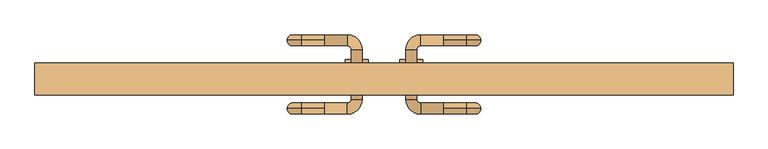
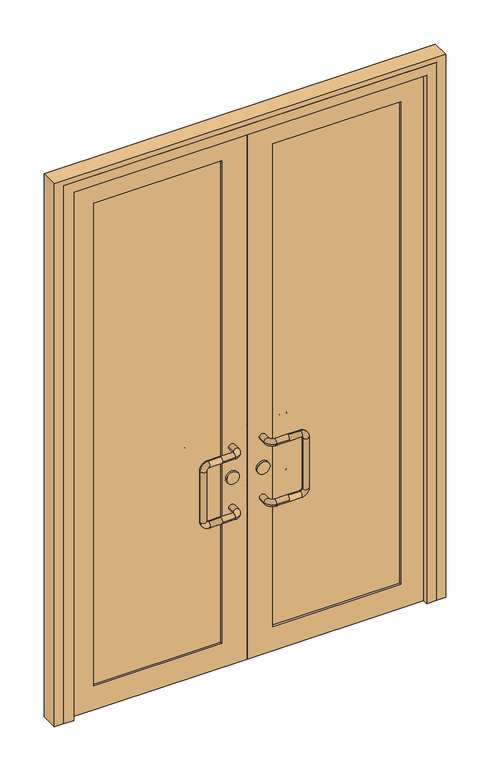
"""IFC4 building model written with IfcOpenShell, lengths in millimetres: door geometry."""

from ifc_helpers import new_model, si_unit, point, frame, frame_2d, origin, place, context, project, spatial, polyline, circle_curve, ellipse_curve, trimmed, segment, composite_curve, outline, extrude, faceted_brep, source, transform, mapped, element, save
from ifc_brep_helpers import cylinder_surface, revolved_surface, advanced_brep


def door_f04ebc7e(model_context):
    return source(origin(), model_context, "Body", "SolidModel", [
        advanced_brep(
        [(-130.0, 62.0, 900.0), (-130.0, 50.0, 912.0), (-130.0, 38.0, 900.0), (-80.0, 38.0, 900.0), (-80.0, 62.0, 900.0), (-130.0, 50.0, 888.0), (-72.0, 30.0, 900.0), (-48.0, 30.0, 900.0), (-72.0, -80.0, 900.0), (-48.0, -80.0, 900.0), (-80.0, -88.0, 900.0), (-80.0, -112.0, 900.0), (-130.0, -88.0, 900.0), (-130.0, -100.0, 912.0), (-130.0, -112.0, 900.0), (-130.0, -100.0, 888.0), (-180.0, 50.0, 912.0), (-180.0, 50.0, 888.0), (-212.0, 50.0, 880.0), (-188.0, 50.0, 880.0), (-212.0, 50.0, 670.0), (-188.0, 50.0, 670.0), (-180.0, 50.0, 638.0), (-180.0, 50.0, 662.0), (-130.0, 50.0, 638.0), (-130.0, 38.0, 650.0), (-130.0, 50.0, 662.0), (-130.0, 62.0, 650.0), (-80.0, 38.0, 650.0), (-80.0, 62.0, 650.0), (-72.0, 30.0, 650.0), (-48.0, 30.0, 650.0), (-72.0, -80.0, 650.0), (-48.0, -80.0, 650.0), (-80.0, -88.0, 650.0), (-80.0, -112.0, 650.0), (-130.0, -88.0, 650.0), (-130.0, -100.0, 662.0), (-130.0, -112.0, 650.0), (-130.0, -100.0, 638.0), (-180.0, -100.0, 912.0), (-180.0, -100.0, 888.0), (-212.0, -100.0, 880.0), (-188.0, -100.0, 880.0), (-212.0, -100.0, 670.0), (-188.0, -100.0, 670.0), (-180.0, -100.0, 638.0), (-180.0, -100.0, 662.0)],
        [
            (0, 1, circle_curve(frame((-130.0, 50.0, 900.0), z_axis=(1.0, 0.0, 0.0), x_axis=(0.0, -1.0, 0.0)), 12.0)),
            (1, 2, circle_curve(frame((-130.0, 50.0, 900.0), z_axis=(1.0, 0.0, 0.0), x_axis=(0.0, -1.0, 0.0)), 12.0)),
            (2, 3),
            (3, 4, circle_curve(frame((-80.0, 50.0, 900.0), z_axis=(-1.0, 0.0, 0.0), x_axis=(0.0, -1.0, 0.0)), 12.0)),
            (4, 0),
            (4, 3, circle_curve(frame((-80.0, 50.0, 900.0), z_axis=(-1.0, 0.0, 0.0), x_axis=(0.0, -1.0, 0.0)), 12.0)),
            (2, 5, circle_curve(frame((-130.0, 50.0, 900.0), z_axis=(1.0, 0.0, 0.0), x_axis=(0.0, -1.0, 0.0)), 12.0)),
            (5, 0, circle_curve(frame((-130.0, 50.0, 900.0), z_axis=(1.0, 0.0, 0.0), x_axis=(0.0, -1.0, 0.0)), 12.0)),
            (3, 6, circle_curve(frame((-80.0, 30.0, 900.0), z_axis=(0.0, 0.0, -1.0), x_axis=(0.0, 1.0, 0.0)), 8.0)),
            (6, 7, circle_curve(frame((-60.0, 30.0, 900.0), z_axis=(0.0, 1.0, 0.0), x_axis=(-1.0, 0.0, 0.0)), 12.0)),
            (7, 4, circle_curve(frame((-80.0, 30.0, 900.0), z_axis=(0.0, 0.0, 1.0), x_axis=(0.0, 1.0, 0.0)), 32.0)),
            (7, 6, circle_curve(frame((-60.0, 30.0, 900.0), z_axis=(0.0, 1.0, 0.0), x_axis=(-1.0, 0.0, 0.0)), 12.0)),
            (6, 8),
            (8, 9, circle_curve(frame((-60.0, -80.0, 900.0), z_axis=(0.0, 1.0, 0.0), x_axis=(-1.0, 0.0, 0.0)), 12.0)),
            (9, 7),
            (9, 8, circle_curve(frame((-60.0, -80.0, 900.0), z_axis=(0.0, 1.0, 0.0), x_axis=(-1.0, 0.0, 0.0)), 12.0)),
            (8, 10, circle_curve(frame((-80.0, -80.0, 900.0), z_axis=(0.0, 0.0, -1.0), x_axis=(1.0, 0.0, 0.0)), 8.0)),
            (10, 11, circle_curve(frame((-80.0, -100.0, 900.0), z_axis=(1.0, 0.0, 0.0), x_axis=(0.0, 1.0, 0.0)), 12.0)),
            (11, 9, circle_curve(frame((-80.0, -80.0, 900.0), z_axis=(0.0, 0.0, 1.0), x_axis=(1.0, 0.0, 0.0)), 32.0)),
            (11, 10, circle_curve(frame((-80.0, -100.0, 900.0), z_axis=(1.0, 0.0, 0.0), x_axis=(0.0, 1.0, 0.0)), 12.0)),
            (10, 12),
            (12, 13, circle_curve(frame((-130.0, -100.0, 900.0), z_axis=(1.0, 0.0, 0.0), x_axis=(0.0, 1.0, 0.0)), 12.0)),
            (13, 14, circle_curve(frame((-130.0, -100.0, 900.0), z_axis=(1.0, 0.0, 0.0), x_axis=(0.0, 1.0, 0.0)), 12.0)),
            (14, 11),
            (14, 15, circle_curve(frame((-130.0, -100.0, 900.0), z_axis=(1.0, 0.0, 0.0), x_axis=(0.0, 1.0, 0.0)), 12.0)),
            (15, 12, circle_curve(frame((-130.0, -100.0, 900.0), z_axis=(1.0, 0.0, 0.0), x_axis=(0.0, 1.0, 0.0)), 12.0)),
            (1, 16),
            (16, 17, circle_curve(frame((-180.0, 50.0, 900.0), z_axis=(1.0, 0.0, 0.0), x_axis=(0.0, 0.0, 1.0)), 12.0)),
            (17, 5),
            (17, 16, circle_curve(frame((-180.0, 50.0, 900.0), z_axis=(1.0, 0.0, 0.0), x_axis=(0.0, 0.0, 1.0)), 12.0)),
            (16, 18, circle_curve(frame((-180.0, 50.0, 880.0), z_axis=(0.0, -1.0, 0.0), x_axis=(0.0, 0.0, 1.0)), 32.0)),
            (18, 19, circle_curve(frame((-200.0, 50.0, 880.0), z_axis=(0.0, 0.0, 1.0), x_axis=(-1.0, 0.0, 0.0)), 12.0)),
            (19, 17, circle_curve(frame((-180.0, 50.0, 880.0), z_axis=(0.0, 1.0, 0.0), x_axis=(0.0, 0.0, 1.0)), 8.0)),
            (19, 18, circle_curve(frame((-200.0, 50.0, 880.0), z_axis=(0.0, 0.0, 1.0), x_axis=(-1.0, 0.0, 0.0)), 12.0)),
            (18, 20),
            (20, 21, circle_curve(frame((-200.0, 50.0, 670.0), z_axis=(0.0, 0.0, 1.0), x_axis=(-1.0, 0.0, 0.0)), 12.0)),
            (21, 19),
            (21, 20, circle_curve(frame((-200.0, 50.0, 670.0), z_axis=(0.0, 0.0, 1.0), x_axis=(-1.0, 0.0, 0.0)), 12.0)),
            (20, 22, circle_curve(frame((-180.0, 50.0, 670.0), z_axis=(0.0, -1.0, 0.0), x_axis=(-1.0, 0.0, 0.0)), 32.0)),
            (22, 23, circle_curve(frame((-180.0, 50.0, 650.0), z_axis=(-1.0, 0.0, 0.0), x_axis=(0.0, 0.0, -1.0)), 12.0)),
            (23, 21, circle_curve(frame((-180.0, 50.0, 670.0), z_axis=(0.0, 1.0, 0.0), x_axis=(-1.0, 0.0, 0.0)), 8.0)),
            (23, 22, circle_curve(frame((-180.0, 50.0, 650.0), z_axis=(-1.0, 0.0, 0.0), x_axis=(0.0, 0.0, -1.0)), 12.0)),
            (22, 24),
            (24, 25, circle_curve(frame((-130.0, 50.0, 650.0), z_axis=(-1.0, 0.0, 0.0), x_axis=(0.0, 0.0, -1.0)), 12.0)),
            (25, 26, circle_curve(frame((-130.0, 50.0, 650.0), z_axis=(-1.0, 0.0, 0.0), x_axis=(0.0, 0.0, -1.0)), 12.0)),
            (26, 23),
            (26, 27, circle_curve(frame((-130.0, 50.0, 650.0), z_axis=(-1.0, 0.0, 0.0), x_axis=(0.0, 0.0, -1.0)), 12.0)),
            (27, 24, circle_curve(frame((-130.0, 50.0, 650.0), z_axis=(-1.0, 0.0, 0.0), x_axis=(0.0, 0.0, -1.0)), 12.0)),
            (25, 28),
            (28, 29, circle_curve(frame((-80.0, 50.0, 650.0), z_axis=(-1.0, 0.0, 0.0), x_axis=(0.0, -1.0, 0.0)), 12.0)),
            (29, 27),
            (29, 28, circle_curve(frame((-80.0, 50.0, 650.0), z_axis=(-1.0, 0.0, 0.0), x_axis=(0.0, -1.0, 0.0)), 12.0)),
            (28, 30, circle_curve(frame((-80.0, 30.0, 650.0), z_axis=(0.0, 0.0, -1.0), x_axis=(0.0, 1.0, 0.0)), 8.0)),
            (30, 31, circle_curve(frame((-60.0, 30.0, 650.0), z_axis=(0.0, 1.0, 0.0), x_axis=(-1.0, 0.0, 0.0)), 12.0)),
            (31, 29, circle_curve(frame((-80.0, 30.0, 650.0), z_axis=(0.0, 0.0, 1.0), x_axis=(0.0, 1.0, 0.0)), 32.0)),
            (31, 30, circle_curve(frame((-60.0, 30.0, 650.0), z_axis=(0.0, 1.0, 0.0), x_axis=(-1.0, 0.0, 0.0)), 12.0)),
            (30, 32),
            (32, 33, circle_curve(frame((-60.0, -80.0, 650.0), z_axis=(0.0, 1.0, 0.0), x_axis=(-1.0, 0.0, 0.0)), 12.0)),
            (33, 31),
            (33, 32, circle_curve(frame((-60.0, -80.0, 650.0), z_axis=(0.0, 1.0, 0.0), x_axis=(-1.0, 0.0, 0.0)), 12.0)),
            (32, 34, circle_curve(frame((-80.0, -80.0, 650.0), z_axis=(0.0, 0.0, -1.0), x_axis=(1.0, 0.0, 0.0)), 8.0)),
            (34, 35, circle_curve(frame((-80.0, -100.0, 650.0), z_axis=(1.0, 0.0, 0.0), x_axis=(0.0, 1.0, 0.0)), 12.0)),
            (35, 33, circle_curve(frame((-80.0, -80.0, 650.0), z_axis=(0.0, 0.0, 1.0), x_axis=(1.0, 0.0, 0.0)), 32.0)),
            (35, 34, circle_curve(frame((-80.0, -100.0, 650.0), z_axis=(1.0, 0.0, 0.0), x_axis=(0.0, 1.0, 0.0)), 12.0)),
            (34, 36),
            (36, 37, circle_curve(frame((-130.0, -100.0, 650.0), z_axis=(1.0, 0.0, 0.0), x_axis=(0.0, 1.0, 0.0)), 12.0)),
            (37, 38, circle_curve(frame((-130.0, -100.0, 650.0), z_axis=(1.0, 0.0, 0.0), x_axis=(0.0, 1.0, 0.0)), 12.0)),
            (38, 35),
            (38, 39, circle_curve(frame((-130.0, -100.0, 650.0), z_axis=(1.0, 0.0, 0.0), x_axis=(0.0, 1.0, 0.0)), 12.0)),
            (39, 36, circle_curve(frame((-130.0, -100.0, 650.0), z_axis=(1.0, 0.0, 0.0), x_axis=(0.0, 1.0, 0.0)), 12.0)),
            (13, 40),
            (40, 41, circle_curve(frame((-180.0, -100.0, 900.0), z_axis=(1.0, 0.0, 0.0), x_axis=(0.0, 0.0, 1.0)), 12.0)),
            (41, 15),
            (41, 40, circle_curve(frame((-180.0, -100.0, 900.0), z_axis=(1.0, 0.0, 0.0), x_axis=(0.0, 0.0, 1.0)), 12.0)),
            (40, 42, circle_curve(frame((-180.0, -100.0, 880.0), z_axis=(0.0, -1.0, 0.0), x_axis=(0.0, 0.0, 1.0)), 32.0)),
            (42, 43, circle_curve(frame((-200.0, -100.0, 880.0), z_axis=(0.0, 0.0, 1.0), x_axis=(-1.0, 0.0, 0.0)), 12.0)),
            (43, 41, circle_curve(frame((-180.0, -100.0, 880.0), z_axis=(0.0, 1.0, 0.0), x_axis=(0.0, 0.0, 1.0)), 8.0)),
            (43, 42, circle_curve(frame((-200.0, -100.0, 880.0), z_axis=(0.0, 0.0, 1.0), x_axis=(-1.0, 0.0, 0.0)), 12.0)),
            (42, 44),
            (44, 45, circle_curve(frame((-200.0, -100.0, 670.0), z_axis=(0.0, 0.0, 1.0), x_axis=(-1.0, 0.0, 0.0)), 12.0)),
            (45, 43),
            (45, 44, circle_curve(frame((-200.0, -100.0, 670.0), z_axis=(0.0, 0.0, 1.0), x_axis=(-1.0, 0.0, 0.0)), 12.0)),
            (44, 46, circle_curve(frame((-180.0, -100.0, 670.0), z_axis=(0.0, -1.0, 0.0), x_axis=(-1.0, 0.0, 0.0)), 32.0)),
            (46, 47, circle_curve(frame((-180.0, -100.0, 650.0), z_axis=(-1.0, 0.0, 0.0), x_axis=(0.0, 0.0, -1.0)), 12.0)),
            (47, 45, circle_curve(frame((-180.0, -100.0, 670.0), z_axis=(0.0, 1.0, 0.0), x_axis=(-1.0, 0.0, 0.0)), 8.0)),
            (47, 46, circle_curve(frame((-180.0, -100.0, 650.0), z_axis=(-1.0, 0.0, 0.0), x_axis=(0.0, 0.0, -1.0)), 12.0)),
            (46, 39),
            (37, 47),
        ],
        [
            cylinder_surface(frame((-130.0, 50.0, 900.0), z_axis=(-1.0, 0.0, 0.0), x_axis=(0.0, -1.0, 0.0)), 12.0),
            revolved_surface(trimmed(ellipse_curve(frame((-80.0, 50.0, 900.0), z_axis=(1.0, 0.0, 0.0), x_axis=(0.0, -1.0, 0.0)), 12.0, 12.0), [point((-80.0, 62.0, 900.0))], [point((-80.0, 38.0, 900.0))], True, "CARTESIAN"), (-80.0, 30.0, 900.0), (0.0, 0.0, 1.0)),
            revolved_surface(trimmed(ellipse_curve(frame((-80.0, 50.0, 900.0), z_axis=(1.0, 0.0, 0.0), x_axis=(0.0, -1.0, 0.0)), 12.0, 12.0), [point((-80.0, 38.0, 900.0))], [point((-80.0, 62.0, 900.0))], True, "CARTESIAN"), (-80.0, 30.0, 900.0), (0.0, 0.0, 1.0)),
            cylinder_surface(frame((-60.0, 30.0, 900.0), z_axis=(0.0, 1.0, 0.0), x_axis=(-1.0, 0.0, 0.0)), 12.0),
            revolved_surface(trimmed(ellipse_curve(frame((-60.0, -80.0, 900.0), z_axis=(0.0, -1.0, 0.0), x_axis=(-1.0, 0.0, 0.0)), 12.0, 12.0), [point((-48.0, -80.0, 900.0))], [point((-72.0, -80.0, 900.0))], True, "CARTESIAN"), (-80.0, -80.0, 900.0), (0.0, 0.0, 1.0)),
            revolved_surface(trimmed(ellipse_curve(frame((-60.0, -80.0, 900.0), z_axis=(0.0, -1.0, 0.0), x_axis=(-1.0, 0.0, 0.0)), 12.0, 12.0), [point((-72.0, -80.0, 900.0))], [point((-48.0, -80.0, 900.0))], True, "CARTESIAN"), (-80.0, -80.0, 900.0), (0.0, 0.0, 1.0)),
            cylinder_surface(frame((-80.0, -100.0, 900.0), z_axis=(1.0, 0.0, 0.0), x_axis=(0.0, 1.0, 0.0)), 12.0),
            cylinder_surface(frame((-130.0, 50.0, 900.0), z_axis=(1.0, 0.0, 0.0), x_axis=(0.0, 0.0, 1.0)), 12.0),
            revolved_surface(trimmed(ellipse_curve(frame((-180.0, 50.0, 900.0), z_axis=(-1.0, 0.0, 0.0), x_axis=(0.0, 0.0, 1.0)), 12.0, 12.0), [point((-180.0, 50.0, 888.0))], [point((-180.0, 50.0, 912.0))], True, "CARTESIAN"), (-180.0, 50.0, 880.0), (0.0, 1.0, 0.0)),
            revolved_surface(trimmed(ellipse_curve(frame((-180.0, 50.0, 900.0), z_axis=(-1.0, 0.0, 0.0), x_axis=(0.0, 0.0, 1.0)), 12.0, 12.0), [point((-180.0, 50.0, 912.0))], [point((-180.0, 50.0, 888.0))], True, "CARTESIAN"), (-180.0, 50.0, 880.0), (0.0, 1.0, 0.0)),
            cylinder_surface(frame((-200.0, 50.0, 880.0), z_axis=(0.0, 0.0, 1.0), x_axis=(-1.0, 0.0, 0.0)), 12.0),
            revolved_surface(trimmed(ellipse_curve(frame((-200.0, 50.0, 670.0), z_axis=(0.0, 0.0, -1.0), x_axis=(-1.0, 0.0, 0.0)), 12.0, 12.0), [point((-188.0, 50.0, 670.0))], [point((-212.0, 50.0, 670.0))], True, "CARTESIAN"), (-180.0, 50.0, 670.0), (0.0, 1.0, 0.0)),
            revolved_surface(trimmed(ellipse_curve(frame((-200.0, 50.0, 670.0), z_axis=(0.0, 0.0, -1.0), x_axis=(-1.0, 0.0, 0.0)), 12.0, 12.0), [point((-212.0, 50.0, 670.0))], [point((-188.0, 50.0, 670.0))], True, "CARTESIAN"), (-180.0, 50.0, 670.0), (0.0, 1.0, 0.0)),
            cylinder_surface(frame((-180.0, 50.0, 650.0), z_axis=(-1.0, 0.0, 0.0), x_axis=(0.0, 0.0, -1.0)), 12.0),
            cylinder_surface(frame((-130.0, 50.0, 650.0), z_axis=(-1.0, 0.0, 0.0), x_axis=(0.0, -1.0, 0.0)), 12.0),
            revolved_surface(trimmed(ellipse_curve(frame((-80.0, 50.0, 650.0), z_axis=(1.0, 0.0, 0.0), x_axis=(0.0, -1.0, 0.0)), 12.0, 12.0), [point((-80.0, 62.0, 650.0))], [point((-80.0, 38.0, 650.0))], True, "CARTESIAN"), (-80.0, 30.0, 650.0), (0.0, 0.0, 1.0)),
            revolved_surface(trimmed(ellipse_curve(frame((-80.0, 50.0, 650.0), z_axis=(1.0, 0.0, 0.0), x_axis=(0.0, -1.0, 0.0)), 12.0, 12.0), [point((-80.0, 38.0, 650.0))], [point((-80.0, 62.0, 650.0))], True, "CARTESIAN"), (-80.0, 30.0, 650.0), (0.0, 0.0, 1.0)),
            cylinder_surface(frame((-60.0, 30.0, 650.0), z_axis=(0.0, 1.0, 0.0), x_axis=(-1.0, 0.0, 0.0)), 12.0),
            revolved_surface(trimmed(ellipse_curve(frame((-60.0, -80.0, 650.0), z_axis=(0.0, -1.0, 0.0), x_axis=(-1.0, 0.0, 0.0)), 12.0, 12.0), [point((-48.0, -80.0, 650.0))], [point((-72.0, -80.0, 650.0))], True, "CARTESIAN"), (-80.0, -80.0, 650.0), (0.0, 0.0, 1.0)),
            revolved_surface(trimmed(ellipse_curve(frame((-60.0, -80.0, 650.0), z_axis=(0.0, -1.0, 0.0), x_axis=(-1.0, 0.0, 0.0)), 12.0, 12.0), [point((-72.0, -80.0, 650.0))], [point((-48.0, -80.0, 650.0))], True, "CARTESIAN"), (-80.0, -80.0, 650.0), (0.0, 0.0, 1.0)),
            cylinder_surface(frame((-80.0, -100.0, 650.0), z_axis=(1.0, 0.0, 0.0), x_axis=(0.0, 1.0, 0.0)), 12.0),
            cylinder_surface(frame((-130.0, -100.0, 900.0), z_axis=(1.0, 0.0, 0.0), x_axis=(0.0, 0.0, 1.0)), 12.0),
            revolved_surface(trimmed(ellipse_curve(frame((-180.0, -100.0, 900.0), z_axis=(-1.0, 0.0, 0.0), x_axis=(0.0, 0.0, 1.0)), 12.0, 12.0), [point((-180.0, -100.0, 888.0))], [point((-180.0, -100.0, 912.0))], True, "CARTESIAN"), (-180.0, -100.0, 880.0), (0.0, 1.0, 0.0)),
            revolved_surface(trimmed(ellipse_curve(frame((-180.0, -100.0, 900.0), z_axis=(-1.0, 0.0, 0.0), x_axis=(0.0, 0.0, 1.0)), 12.0, 12.0), [point((-180.0, -100.0, 912.0))], [point((-180.0, -100.0, 888.0))], True, "CARTESIAN"), (-180.0, -100.0, 880.0), (0.0, 1.0, 0.0)),
            cylinder_surface(frame((-200.0, -100.0, 880.0), z_axis=(0.0, 0.0, 1.0), x_axis=(-1.0, 0.0, 0.0)), 12.0),
            revolved_surface(trimmed(ellipse_curve(frame((-200.0, -100.0, 670.0), z_axis=(0.0, 0.0, -1.0), x_axis=(-1.0, 0.0, 0.0)), 12.0, 12.0), [point((-188.0, -100.0, 670.0))], [point((-212.0, -100.0, 670.0))], True, "CARTESIAN"), (-180.0, -100.0, 670.0), (0.0, 1.0, 0.0)),
            revolved_surface(trimmed(ellipse_curve(frame((-200.0, -100.0, 670.0), z_axis=(0.0, 0.0, -1.0), x_axis=(-1.0, 0.0, 0.0)), 12.0, 12.0), [point((-212.0, -100.0, 670.0))], [point((-188.0, -100.0, 670.0))], True, "CARTESIAN"), (-180.0, -100.0, 670.0), (0.0, 1.0, 0.0)),
            cylinder_surface(frame((-180.0, -100.0, 650.0), z_axis=(-1.0, 0.0, 0.0), x_axis=(0.0, 0.0, -1.0)), 12.0),
        ],
        [
            (0, [[1, 2, 3, 4, 5]]),
            (0, [[6, -3, 7, 8, -5]]),
            (1, [[9, 10, 11, -4]]),
            (2, [[-11, 12, -9, -6]]),
            (3, [[13, 14, 15, -10]]),
            (3, [[-15, 16, -13, -12]]),
            (4, [[17, 18, 19, -14]]),
            (5, [[-19, 20, -17, -16]]),
            (6, [[21, 22, 23, 24, -18]]),
            (6, [[-24, 25, 26, -21, -20]]),
            (7, [[-7, -2, 27, 28, 29]]),
            (7, [[30, -27, -1, -8, -29]]),
            (8, [[31, 32, 33, -28]]),
            (9, [[-33, 34, -31, -30]]),
            (10, [[35, 36, 37, -32]]),
            (10, [[-37, 38, -35, -34]]),
            (11, [[39, 40, 41, -36]]),
            (12, [[-41, 42, -39, -38]]),
            (13, [[43, 44, 45, 46, -40]]),
            (13, [[-46, 47, 48, -43, -42]]),
            (14, [[-47, -45, 49, 50, 51]]),
            (14, [[52, -49, -44, -48, -51]]),
            (15, [[53, 54, 55, -50]]),
            (16, [[-55, 56, -53, -52]]),
            (17, [[57, 58, 59, -54]]),
            (17, [[-59, 60, -57, -56]]),
            (18, [[61, 62, 63, -58]]),
            (19, [[-63, 64, -61, -60]]),
            (20, [[65, 66, 67, 68, -62]]),
            (20, [[-68, 69, 70, -65, -64]]),
            (21, [[-25, -23, 71, 72, 73]]),
            (21, [[74, -71, -22, -26, -73]]),
            (22, [[75, 76, 77, -72]]),
            (23, [[-77, 78, -75, -74]]),
            (24, [[79, 80, 81, -76]]),
            (24, [[-81, 82, -79, -78]]),
            (25, [[83, 84, 85, -80]]),
            (26, [[-85, 86, -83, -82]]),
            (27, [[87, -69, -67, 88, -84]]),
            (27, [[-88, -66, -70, -87, -86]]),
        ],
    ),
        extrude(outline(composite_curve([segment(trimmed(circle_curve(frame_2d((775.0, -60.0)), 25.0), [point((775.0, -35.0))], [point((775.0, -85.0))], False, "CARTESIAN"), True, "CONTINUOUS"), segment(trimmed(circle_curve(frame_2d((775.0, -60.0)), 25.0), [point((775.0, -85.0))], [point((775.0, -35.0))], False, "CARTESIAN"), True, "CONTINUOUS")], self_intersect=False)), frame((0.0, -58.0, 0.0), z_axis=(0.0, 1.0, 0.0), x_axis=(0.0, 0.0, 1.0)), (0.0, 0.0, 1.0), 66.0),
        advanced_brep(
        [(130.0, 62.0, 900.0), (80.0, 62.0, 900.0), (80.0, 38.0, 900.0), (130.0, 38.0, 900.0), (130.0, 50.0, 912.0), (130.0, 50.0, 888.0), (48.0, 30.0, 900.0), (72.0, 30.0, 900.0), (48.0, -80.0, 900.0), (72.0, -80.0, 900.0), (80.0, -112.0, 900.0), (80.0, -88.0, 900.0), (130.0, -112.0, 900.0), (130.0, -100.0, 912.0), (130.0, -88.0, 900.0), (130.0, -100.0, 888.0), (180.0, 50.0, 888.0), (180.0, 50.0, 912.0), (188.0, 50.0, 880.0), (212.0, 50.0, 880.0), (188.0, 50.0, 670.0), (212.0, 50.0, 670.0), (180.0, 50.0, 662.0), (180.0, 50.0, 638.0), (130.0, 50.0, 662.0), (130.0, 38.0, 650.0), (130.0, 50.0, 638.0), (130.0, 62.0, 650.0), (80.0, 62.0, 650.0), (80.0, 38.0, 650.0), (48.0, 30.0, 650.0), (72.0, 30.0, 650.0), (48.0, -80.0, 650.0), (72.0, -80.0, 650.0), (80.0, -112.0, 650.0), (80.0, -88.0, 650.0), (130.0, -112.0, 650.0), (130.0, -100.0, 662.0), (130.0, -88.0, 650.0), (130.0, -100.0, 638.0), (180.0, -100.0, 888.0), (180.0, -100.0, 912.0), (188.0, -100.0, 880.0), (212.0, -100.0, 880.0), (188.0, -100.0, 670.0), (212.0, -100.0, 670.0), (180.0, -100.0, 662.0), (180.0, -100.0, 638.0)],
        [
            (0, 1),
            (1, 2, circle_curve(frame((80.0, 50.0, 900.0), z_axis=(1.0, 0.0, 0.0), x_axis=(0.0, -1.0, 0.0)), 12.0)),
            (2, 3),
            (3, 4, circle_curve(frame((130.0, 50.0, 900.0), z_axis=(-1.0, 0.0, 0.0), x_axis=(0.0, -1.0, 0.0)), 12.0)),
            (4, 0, circle_curve(frame((130.0, 50.0, 900.0), z_axis=(-1.0, 0.0, 0.0), x_axis=(0.0, -1.0, 0.0)), 12.0)),
            (0, 5, circle_curve(frame((130.0, 50.0, 900.0), z_axis=(-1.0, 0.0, 0.0), x_axis=(0.0, -1.0, 0.0)), 12.0)),
            (5, 3, circle_curve(frame((130.0, 50.0, 900.0), z_axis=(-1.0, 0.0, 0.0), x_axis=(0.0, -1.0, 0.0)), 12.0)),
            (2, 1, circle_curve(frame((80.0, 50.0, 900.0), z_axis=(1.0, 0.0, 0.0), x_axis=(0.0, -1.0, 0.0)), 12.0)),
            (1, 6, circle_curve(frame((80.0, 30.0, 900.0), z_axis=(0.0, 0.0, 1.0), x_axis=(0.0, 1.0, 0.0)), 32.0)),
            (6, 7, circle_curve(frame((60.0, 30.0, 900.0), z_axis=(0.0, 1.0, 0.0), x_axis=(1.0, 0.0, 0.0)), 12.0)),
            (7, 2, circle_curve(frame((80.0, 30.0, 900.0), z_axis=(0.0, 0.0, -1.0), x_axis=(0.0, 1.0, 0.0)), 8.0)),
            (7, 6, circle_curve(frame((60.0, 30.0, 900.0), z_axis=(0.0, 1.0, 0.0), x_axis=(1.0, 0.0, 0.0)), 12.0)),
            (6, 8),
            (8, 9, circle_curve(frame((60.0, -80.0, 900.0), z_axis=(0.0, 1.0, 0.0), x_axis=(1.0, 0.0, 0.0)), 12.0)),
            (9, 7),
            (9, 8, circle_curve(frame((60.0, -80.0, 900.0), z_axis=(0.0, 1.0, 0.0), x_axis=(1.0, 0.0, 0.0)), 12.0)),
            (8, 10, circle_curve(frame((80.0, -80.0, 900.0), z_axis=(0.0, 0.0, 1.0), x_axis=(-1.0, 0.0, 0.0)), 32.0)),
            (10, 11, circle_curve(frame((80.0, -100.0, 900.0), z_axis=(-1.0, 0.0, 0.0), x_axis=(0.0, 1.0, 0.0)), 12.0)),
            (11, 9, circle_curve(frame((80.0, -80.0, 900.0), z_axis=(0.0, 0.0, -1.0), x_axis=(-1.0, 0.0, 0.0)), 8.0)),
            (11, 10, circle_curve(frame((80.0, -100.0, 900.0), z_axis=(-1.0, 0.0, 0.0), x_axis=(0.0, 1.0, 0.0)), 12.0)),
            (10, 12),
            (12, 13, circle_curve(frame((130.0, -100.0, 900.0), z_axis=(-1.0, 0.0, 0.0), x_axis=(0.0, 1.0, 0.0)), 12.0)),
            (13, 14, circle_curve(frame((130.0, -100.0, 900.0), z_axis=(-1.0, 0.0, 0.0), x_axis=(0.0, 1.0, 0.0)), 12.0)),
            (14, 11),
            (14, 15, circle_curve(frame((130.0, -100.0, 900.0), z_axis=(-1.0, 0.0, 0.0), x_axis=(0.0, 1.0, 0.0)), 12.0)),
            (15, 12, circle_curve(frame((130.0, -100.0, 900.0), z_axis=(-1.0, 0.0, 0.0), x_axis=(0.0, 1.0, 0.0)), 12.0)),
            (5, 16),
            (16, 17, circle_curve(frame((180.0, 50.0, 900.0), z_axis=(-1.0, 0.0, 0.0), x_axis=(0.0, 0.0, 1.0)), 12.0)),
            (17, 4),
            (17, 16, circle_curve(frame((180.0, 50.0, 900.0), z_axis=(-1.0, 0.0, 0.0), x_axis=(0.0, 0.0, 1.0)), 12.0)),
            (16, 18, circle_curve(frame((180.0, 50.0, 880.0), z_axis=(0.0, 1.0, 0.0), x_axis=(0.0, 0.0, 1.0)), 8.0)),
            (18, 19, circle_curve(frame((200.0, 50.0, 880.0), z_axis=(0.0, 0.0, 1.0), x_axis=(1.0, 0.0, 0.0)), 12.0)),
            (19, 17, circle_curve(frame((180.0, 50.0, 880.0), z_axis=(0.0, -1.0, 0.0), x_axis=(0.0, 0.0, 1.0)), 32.0)),
            (19, 18, circle_curve(frame((200.0, 50.0, 880.0), z_axis=(0.0, 0.0, 1.0), x_axis=(1.0, 0.0, 0.0)), 12.0)),
            (18, 20),
            (20, 21, circle_curve(frame((200.0, 50.0, 670.0), z_axis=(0.0, 0.0, 1.0), x_axis=(1.0, 0.0, 0.0)), 12.0)),
            (21, 19),
            (21, 20, circle_curve(frame((200.0, 50.0, 670.0), z_axis=(0.0, 0.0, 1.0), x_axis=(1.0, 0.0, 0.0)), 12.0)),
            (20, 22, circle_curve(frame((180.0, 50.0, 670.0), z_axis=(0.0, 1.0, 0.0), x_axis=(1.0, 0.0, 0.0)), 8.0)),
            (22, 23, circle_curve(frame((180.0, 50.0, 650.0), z_axis=(1.0, 0.0, 0.0), x_axis=(0.0, 0.0, -1.0)), 12.0)),
            (23, 21, circle_curve(frame((180.0, 50.0, 670.0), z_axis=(0.0, -1.0, 0.0), x_axis=(1.0, 0.0, 0.0)), 32.0)),
            (23, 22, circle_curve(frame((180.0, 50.0, 650.0), z_axis=(1.0, 0.0, 0.0), x_axis=(0.0, 0.0, -1.0)), 12.0)),
            (22, 24),
            (24, 25, circle_curve(frame((130.0, 50.0, 650.0), z_axis=(1.0, 0.0, 0.0), x_axis=(0.0, 0.0, -1.0)), 12.0)),
            (25, 26, circle_curve(frame((130.0, 50.0, 650.0), z_axis=(1.0, 0.0, 0.0), x_axis=(0.0, 0.0, -1.0)), 12.0)),
            (26, 23),
            (26, 27, circle_curve(frame((130.0, 50.0, 650.0), z_axis=(1.0, 0.0, 0.0), x_axis=(0.0, 0.0, -1.0)), 12.0)),
            (27, 24, circle_curve(frame((130.0, 50.0, 650.0), z_axis=(1.0, 0.0, 0.0), x_axis=(0.0, 0.0, -1.0)), 12.0)),
            (27, 28),
            (28, 29, circle_curve(frame((80.0, 50.0, 650.0), z_axis=(1.0, 0.0, 0.0), x_axis=(0.0, -1.0, 0.0)), 12.0)),
            (29, 25),
            (29, 28, circle_curve(frame((80.0, 50.0, 650.0), z_axis=(1.0, 0.0, 0.0), x_axis=(0.0, -1.0, 0.0)), 12.0)),
            (28, 30, circle_curve(frame((80.0, 30.0, 650.0), z_axis=(0.0, 0.0, 1.0), x_axis=(0.0, 1.0, 0.0)), 32.0)),
            (30, 31, circle_curve(frame((60.0, 30.0, 650.0), z_axis=(0.0, 1.0, 0.0), x_axis=(1.0, 0.0, 0.0)), 12.0)),
            (31, 29, circle_curve(frame((80.0, 30.0, 650.0), z_axis=(0.0, 0.0, -1.0), x_axis=(0.0, 1.0, 0.0)), 8.0)),
            (31, 30, circle_curve(frame((60.0, 30.0, 650.0), z_axis=(0.0, 1.0, 0.0), x_axis=(1.0, 0.0, 0.0)), 12.0)),
            (30, 32),
            (32, 33, circle_curve(frame((60.0, -80.0, 650.0), z_axis=(0.0, 1.0, 0.0), x_axis=(1.0, 0.0, 0.0)), 12.0)),
            (33, 31),
            (33, 32, circle_curve(frame((60.0, -80.0, 650.0), z_axis=(0.0, 1.0, 0.0), x_axis=(1.0, 0.0, 0.0)), 12.0)),
            (32, 34, circle_curve(frame((80.0, -80.0, 650.0), z_axis=(0.0, 0.0, 1.0), x_axis=(-1.0, 0.0, 0.0)), 32.0)),
            (34, 35, circle_curve(frame((80.0, -100.0, 650.0), z_axis=(-1.0, 0.0, 0.0), x_axis=(0.0, 1.0, 0.0)), 12.0)),
            (35, 33, circle_curve(frame((80.0, -80.0, 650.0), z_axis=(0.0, 0.0, -1.0), x_axis=(-1.0, 0.0, 0.0)), 8.0)),
            (35, 34, circle_curve(frame((80.0, -100.0, 650.0), z_axis=(-1.0, 0.0, 0.0), x_axis=(0.0, 1.0, 0.0)), 12.0)),
            (34, 36),
            (36, 37, circle_curve(frame((130.0, -100.0, 650.0), z_axis=(-1.0, 0.0, 0.0), x_axis=(0.0, 1.0, 0.0)), 12.0)),
            (37, 38, circle_curve(frame((130.0, -100.0, 650.0), z_axis=(-1.0, 0.0, 0.0), x_axis=(0.0, 1.0, 0.0)), 12.0)),
            (38, 35),
            (38, 39, circle_curve(frame((130.0, -100.0, 650.0), z_axis=(-1.0, 0.0, 0.0), x_axis=(0.0, 1.0, 0.0)), 12.0)),
            (39, 36, circle_curve(frame((130.0, -100.0, 650.0), z_axis=(-1.0, 0.0, 0.0), x_axis=(0.0, 1.0, 0.0)), 12.0)),
            (15, 40),
            (40, 41, circle_curve(frame((180.0, -100.0, 900.0), z_axis=(-1.0, 0.0, 0.0), x_axis=(0.0, 0.0, 1.0)), 12.0)),
            (41, 13),
            (41, 40, circle_curve(frame((180.0, -100.0, 900.0), z_axis=(-1.0, 0.0, 0.0), x_axis=(0.0, 0.0, 1.0)), 12.0)),
            (40, 42, circle_curve(frame((180.0, -100.0, 880.0), z_axis=(0.0, 1.0, 0.0), x_axis=(0.0, 0.0, 1.0)), 8.0)),
            (42, 43, circle_curve(frame((200.0, -100.0, 880.0), z_axis=(0.0, 0.0, 1.0), x_axis=(1.0, 0.0, 0.0)), 12.0)),
            (43, 41, circle_curve(frame((180.0, -100.0, 880.0), z_axis=(0.0, -1.0, 0.0), x_axis=(0.0, 0.0, 1.0)), 32.0)),
            (43, 42, circle_curve(frame((200.0, -100.0, 880.0), z_axis=(0.0, 0.0, 1.0), x_axis=(1.0, 0.0, 0.0)), 12.0)),
            (42, 44),
            (44, 45, circle_curve(frame((200.0, -100.0, 670.0), z_axis=(0.0, 0.0, 1.0), x_axis=(1.0, 0.0, 0.0)), 12.0)),
            (45, 43),
            (45, 44, circle_curve(frame((200.0, -100.0, 670.0), z_axis=(0.0, 0.0, 1.0), x_axis=(1.0, 0.0, 0.0)), 12.0)),
            (44, 46, circle_curve(frame((180.0, -100.0, 670.0), z_axis=(0.0, 1.0, 0.0), x_axis=(1.0, 0.0, 0.0)), 8.0)),
            (46, 47, circle_curve(frame((180.0, -100.0, 650.0), z_axis=(1.0, 0.0, 0.0), x_axis=(0.0, 0.0, -1.0)), 12.0)),
            (47, 45, circle_curve(frame((180.0, -100.0, 670.0), z_axis=(0.0, -1.0, 0.0), x_axis=(1.0, 0.0, 0.0)), 32.0)),
            (47, 46, circle_curve(frame((180.0, -100.0, 650.0), z_axis=(1.0, 0.0, 0.0), x_axis=(0.0, 0.0, -1.0)), 12.0)),
            (46, 37),
            (39, 47),
        ],
        [
            cylinder_surface(frame((130.0, 50.0, 900.0), z_axis=(1.0, 0.0, 0.0), x_axis=(0.0, -1.0, 0.0)), 12.0),
            revolved_surface(trimmed(ellipse_curve(frame((80.0, 50.0, 900.0), z_axis=(1.0, 0.0, 0.0), x_axis=(0.0, -1.0, 0.0)), 12.0, 12.0), [point((80.0, 62.0, 900.0))], [point((80.0, 38.0, 900.0))], True, "CARTESIAN"), (80.0, 30.0, 900.0), (0.0, 0.0, 1.0)),
            revolved_surface(trimmed(ellipse_curve(frame((80.0, 50.0, 900.0), z_axis=(1.0, 0.0, 0.0), x_axis=(0.0, -1.0, 0.0)), 12.0, 12.0), [point((80.0, 38.0, 900.0))], [point((80.0, 62.0, 900.0))], True, "CARTESIAN"), (80.0, 30.0, 900.0), (0.0, 0.0, 1.0)),
            cylinder_surface(frame((60.0, 30.0, 900.0), z_axis=(0.0, 1.0, 0.0), x_axis=(1.0, 0.0, 0.0)), 12.0),
            revolved_surface(trimmed(ellipse_curve(frame((60.0, -80.0, 900.0), z_axis=(0.0, 1.0, 0.0), x_axis=(1.0, 0.0, 0.0)), 12.0, 12.0), [point((48.0, -80.0, 900.0))], [point((72.0, -80.0, 900.0))], True, "CARTESIAN"), (80.0, -80.0, 900.0), (0.0, 0.0, 1.0)),
            revolved_surface(trimmed(ellipse_curve(frame((60.0, -80.0, 900.0), z_axis=(0.0, 1.0, 0.0), x_axis=(1.0, 0.0, 0.0)), 12.0, 12.0), [point((72.0, -80.0, 900.0))], [point((48.0, -80.0, 900.0))], True, "CARTESIAN"), (80.0, -80.0, 900.0), (0.0, 0.0, 1.0)),
            cylinder_surface(frame((80.0, -100.0, 900.0), z_axis=(-1.0, 0.0, 0.0), x_axis=(0.0, 1.0, 0.0)), 12.0),
            cylinder_surface(frame((130.0, 50.0, 900.0), z_axis=(-1.0, 0.0, 0.0), x_axis=(0.0, 0.0, 1.0)), 12.0),
            revolved_surface(trimmed(ellipse_curve(frame((180.0, 50.0, 900.0), z_axis=(-1.0, 0.0, 0.0), x_axis=(0.0, 0.0, 1.0)), 12.0, 12.0), [point((180.0, 50.0, 888.0))], [point((180.0, 50.0, 912.0))], True, "CARTESIAN"), (180.0, 50.0, 880.0), (0.0, 1.0, 0.0)),
            revolved_surface(trimmed(ellipse_curve(frame((180.0, 50.0, 900.0), z_axis=(-1.0, 0.0, 0.0), x_axis=(0.0, 0.0, 1.0)), 12.0, 12.0), [point((180.0, 50.0, 912.0))], [point((180.0, 50.0, 888.0))], True, "CARTESIAN"), (180.0, 50.0, 880.0), (0.0, 1.0, 0.0)),
            cylinder_surface(frame((200.0, 50.0, 880.0), z_axis=(0.0, 0.0, 1.0), x_axis=(1.0, 0.0, 0.0)), 12.0),
            revolved_surface(trimmed(ellipse_curve(frame((200.0, 50.0, 670.0), z_axis=(0.0, 0.0, 1.0), x_axis=(1.0, 0.0, 0.0)), 12.0, 12.0), [point((188.0, 50.0, 670.0))], [point((212.0, 50.0, 670.0))], True, "CARTESIAN"), (180.0, 50.0, 670.0), (0.0, 1.0, 0.0)),
            revolved_surface(trimmed(ellipse_curve(frame((200.0, 50.0, 670.0), z_axis=(0.0, 0.0, 1.0), x_axis=(1.0, 0.0, 0.0)), 12.0, 12.0), [point((212.0, 50.0, 670.0))], [point((188.0, 50.0, 670.0))], True, "CARTESIAN"), (180.0, 50.0, 670.0), (0.0, 1.0, 0.0)),
            cylinder_surface(frame((180.0, 50.0, 650.0), z_axis=(1.0, 0.0, 0.0), x_axis=(0.0, 0.0, -1.0)), 12.0),
            cylinder_surface(frame((130.0, 50.0, 650.0), z_axis=(1.0, 0.0, 0.0), x_axis=(0.0, -1.0, 0.0)), 12.0),
            revolved_surface(trimmed(ellipse_curve(frame((80.0, 50.0, 650.0), z_axis=(1.0, 0.0, 0.0), x_axis=(0.0, -1.0, 0.0)), 12.0, 12.0), [point((80.0, 62.0, 650.0))], [point((80.0, 38.0, 650.0))], True, "CARTESIAN"), (80.0, 30.0, 650.0), (0.0, 0.0, 1.0)),
            revolved_surface(trimmed(ellipse_curve(frame((80.0, 50.0, 650.0), z_axis=(1.0, 0.0, 0.0), x_axis=(0.0, -1.0, 0.0)), 12.0, 12.0), [point((80.0, 38.0, 650.0))], [point((80.0, 62.0, 650.0))], True, "CARTESIAN"), (80.0, 30.0, 650.0), (0.0, 0.0, 1.0)),
            cylinder_surface(frame((60.0, 30.0, 650.0), z_axis=(0.0, 1.0, 0.0), x_axis=(1.0, 0.0, 0.0)), 12.0),
            revolved_surface(trimmed(ellipse_curve(frame((60.0, -80.0, 650.0), z_axis=(0.0, 1.0, 0.0), x_axis=(1.0, 0.0, 0.0)), 12.0, 12.0), [point((48.0, -80.0, 650.0))], [point((72.0, -80.0, 650.0))], True, "CARTESIAN"), (80.0, -80.0, 650.0), (0.0, 0.0, 1.0)),
            revolved_surface(trimmed(ellipse_curve(frame((60.0, -80.0, 650.0), z_axis=(0.0, 1.0, 0.0), x_axis=(1.0, 0.0, 0.0)), 12.0, 12.0), [point((72.0, -80.0, 650.0))], [point((48.0, -80.0, 650.0))], True, "CARTESIAN"), (80.0, -80.0, 650.0), (0.0, 0.0, 1.0)),
            cylinder_surface(frame((80.0, -100.0, 650.0), z_axis=(-1.0, 0.0, 0.0), x_axis=(0.0, 1.0, 0.0)), 12.0),
            cylinder_surface(frame((130.0, -100.0, 900.0), z_axis=(-1.0, 0.0, 0.0), x_axis=(0.0, 0.0, 1.0)), 12.0),
            revolved_surface(trimmed(ellipse_curve(frame((180.0, -100.0, 900.0), z_axis=(-1.0, 0.0, 0.0), x_axis=(0.0, 0.0, 1.0)), 12.0, 12.0), [point((180.0, -100.0, 888.0))], [point((180.0, -100.0, 912.0))], True, "CARTESIAN"), (180.0, -100.0, 880.0), (0.0, 1.0, 0.0)),
            revolved_surface(trimmed(ellipse_curve(frame((180.0, -100.0, 900.0), z_axis=(-1.0, 0.0, 0.0), x_axis=(0.0, 0.0, 1.0)), 12.0, 12.0), [point((180.0, -100.0, 912.0))], [point((180.0, -100.0, 888.0))], True, "CARTESIAN"), (180.0, -100.0, 880.0), (0.0, 1.0, 0.0)),
            cylinder_surface(frame((200.0, -100.0, 880.0), z_axis=(0.0, 0.0, 1.0), x_axis=(1.0, 0.0, 0.0)), 12.0),
            revolved_surface(trimmed(ellipse_curve(frame((200.0, -100.0, 670.0), z_axis=(0.0, 0.0, 1.0), x_axis=(1.0, 0.0, 0.0)), 12.0, 12.0), [point((188.0, -100.0, 670.0))], [point((212.0, -100.0, 670.0))], True, "CARTESIAN"), (180.0, -100.0, 670.0), (0.0, 1.0, 0.0)),
            revolved_surface(trimmed(ellipse_curve(frame((200.0, -100.0, 670.0), z_axis=(0.0, 0.0, 1.0), x_axis=(1.0, 0.0, 0.0)), 12.0, 12.0), [point((212.0, -100.0, 670.0))], [point((188.0, -100.0, 670.0))], True, "CARTESIAN"), (180.0, -100.0, 670.0), (0.0, 1.0, 0.0)),
            cylinder_surface(frame((180.0, -100.0, 650.0), z_axis=(1.0, 0.0, 0.0), x_axis=(0.0, 0.0, -1.0)), 12.0),
        ],
        [
            (0, [[1, 2, 3, 4, 5]]),
            (0, [[-1, 6, 7, -3, 8]]),
            (1, [[-2, 9, 10, 11]]),
            (2, [[-8, -11, 12, -9]]),
            (3, [[-10, 13, 14, 15]]),
            (3, [[-12, -15, 16, -13]]),
            (4, [[-14, 17, 18, 19]]),
            (5, [[-16, -19, 20, -17]]),
            (6, [[-18, 21, 22, 23, 24]]),
            (6, [[-20, -24, 25, 26, -21]]),
            (7, [[27, 28, 29, -4, -7]]),
            (7, [[-27, -6, -5, -29, 30]]),
            (8, [[-28, 31, 32, 33]]),
            (9, [[-30, -33, 34, -31]]),
            (10, [[-32, 35, 36, 37]]),
            (10, [[-34, -37, 38, -35]]),
            (11, [[-36, 39, 40, 41]]),
            (12, [[-38, -41, 42, -39]]),
            (13, [[-40, 43, 44, 45, 46]]),
            (13, [[-42, -46, 47, 48, -43]]),
            (14, [[49, 50, 51, -44, -48]]),
            (14, [[-49, -47, -45, -51, 52]]),
            (15, [[-50, 53, 54, 55]]),
            (16, [[-52, -55, 56, -53]]),
            (17, [[-54, 57, 58, 59]]),
            (17, [[-56, -59, 60, -57]]),
            (18, [[-58, 61, 62, 63]]),
            (19, [[-60, -63, 64, -61]]),
            (20, [[-62, 65, 66, 67, 68]]),
            (20, [[-64, -68, 69, 70, -65]]),
            (21, [[71, 72, 73, -22, -26]]),
            (21, [[-71, -25, -23, -73, 74]]),
            (22, [[-72, 75, 76, 77]]),
            (23, [[-74, -77, 78, -75]]),
            (24, [[-76, 79, 80, 81]]),
            (24, [[-78, -81, 82, -79]]),
            (25, [[-80, 83, 84, 85]]),
            (26, [[-82, -85, 86, -83]]),
            (27, [[-84, 87, -66, -70, 88]]),
            (27, [[-86, -88, -69, -67, -87]]),
        ],
    ),
        extrude(outline(composite_curve([segment(trimmed(circle_curve(frame_2d((775.0, 60.0)), 25.0), [point((775.0, 35.0))], [point((775.0, 85.0))], False, "CARTESIAN"), True, "CONTINUOUS"), segment(trimmed(circle_curve(frame_2d((775.0, 60.0)), 25.0), [point((775.0, 85.0))], [point((775.0, 35.0))], False, "CARTESIAN"), True, "CONTINUOUS")], self_intersect=False)), frame((0.0, -58.0, 0.0), z_axis=(0.0, 1.0, 0.0), x_axis=(0.0, 0.0, 1.0)), (0.0, 0.0, 1.0), 66.0),
        extrude(outline(polyline([(-600.0, -8.0), (-100.0, -8.0), (-100.0, -42.0), (-600.0, -42.0), (-600.0, -8.0)])), frame((0.0, 0.0, 100.0), z_axis=(0.0, 0.0, 1.0), x_axis=(1.0, 0.0, 0.0)), (0.0, 0.0, 1.0), 1995.0),
        extrude(outline(polyline([(0.0, -700.0), (0.0, 0.0), (2195.0, 0.0), (2195.0, -700.0), (0.0, -700.0)]), holes=[polyline([(100.0, -100.0), (100.0, -600.0), (2095.0, -600.0), (2095.0, -100.0), (100.0, -100.0)])]), frame((0.0, -50.0, 0.0), z_axis=(0.0, 1.0, 0.0), x_axis=(0.0, 0.0, 1.0)), (0.0, 0.0, 1.0), 50.0),
        extrude(outline(polyline([(100.0, -8.0), (600.0, -8.0), (600.0, -42.0), (100.0, -42.0), (100.0, -8.0)])), frame((0.0, 0.0, 100.0), z_axis=(0.0, 0.0, 1.0), x_axis=(1.0, 0.0, 0.0)), (0.0, 0.0, 1.0), 1995.0),
        extrude(outline(polyline([(0.0, 0.0), (0.0, 700.0), (2195.0, 700.0), (2195.0, 0.0), (0.0, 0.0)]), holes=[polyline([(100.0, 600.0), (100.0, 100.0), (2095.0, 100.0), (2095.0, 600.0), (100.0, 600.0)])]), frame((0.0, -50.0, 0.0), z_axis=(0.0, 1.0, 0.0), x_axis=(0.0, 0.0, 1.0)), (0.0, 0.0, 1.0), 50.0),
        extrude(outline(polyline([(0.0, 765.0), (2245.0, 765.0), (2245.0, -765.0), (0.0, -765.0), (0.0, -730.0), (2225.0, -730.0), (2225.0, 730.0), (0.0, 730.0), (0.0, 765.0)])), frame((0.0, -70.0, 0.0), z_axis=(0.0, 1.0, 0.0), x_axis=(0.0, 0.0, 1.0)), (0.0, 0.0, 1.0), 70.0),
        faceted_brep([(-730.0, -70.0, 0.0), (-730.0, 0.0, 0.0), (-700.0, 0.0, 0.0), (-700.0, -50.0, 0.0), (-690.0, -50.0, 0.0), (-690.0, -70.0, 0.0), (-730.0, -70.0, 2225.0), (-730.0, 0.0, 2225.0), (730.0, 0.0, 2225.0), (730.0, 0.0, 0.0), (700.0, 0.0, 0.0), (700.0, 0.0, 2195.0), (-700.0, 0.0, 2195.0), (-700.0, -50.0, 2195.0), (700.0, -50.0, 2195.0), (700.0, -50.0, 0.0), (690.0, -50.0, 0.0), (690.0, -50.0, 2185.0), (-690.0, -50.0, 2185.0), (-690.0, -70.0, 2185.0), (690.0, -70.0, 2185.0), (690.0, -70.0, 0.0), (730.0, -70.0, 0.0), (730.0, -70.0, 2225.0)], [[[0, 1, 2, 3, 4, 5]], [[1, 0, 6, 7]], [[2, 1, 7, 8, 9, 10, 11, 12]], [[3, 2, 12, 13]], [[4, 3, 13, 14, 15, 16, 17, 18]], [[5, 4, 18, 19]], [[0, 5, 19, 20, 21, 22, 23, 6]], [[7, 6, 23, 8]], [[13, 12, 11, 14]], [[19, 18, 17, 20]], [[22, 21, 16, 15, 10, 9]], [[8, 23, 22, 9]], [[14, 11, 10, 15]], [[20, 17, 16, 21]]]),
    ])


if __name__ == "__main__":
    model = new_model("IFC4")
    model_context = context("Model", 3, world=origin())
    ifc_project = project(units=[si_unit("LENGTHUNIT", "METRE", prefix="MILLI")], contexts=[model_context])
    site = spatial("IfcSite", under=ifc_project)
    building = spatial("IfcBuilding", under=site)
    placement = place(None, origin())
    door_shape = door_f04ebc7e(model_context)
    element("IfcDoor", 1, at=placement, inside=building, context=model_context, shape_type="MappedRepresentation", body=[
        mapped(door_shape, transform((0.0, 0.0, 0.0), x_axis=(1.0, 0.0, 0.0), y_axis=(0.0, 1.0, 0.0), z_axis=(0.0, 0.0, 1.0))),
    ])
    save(model, "model.ifc")
